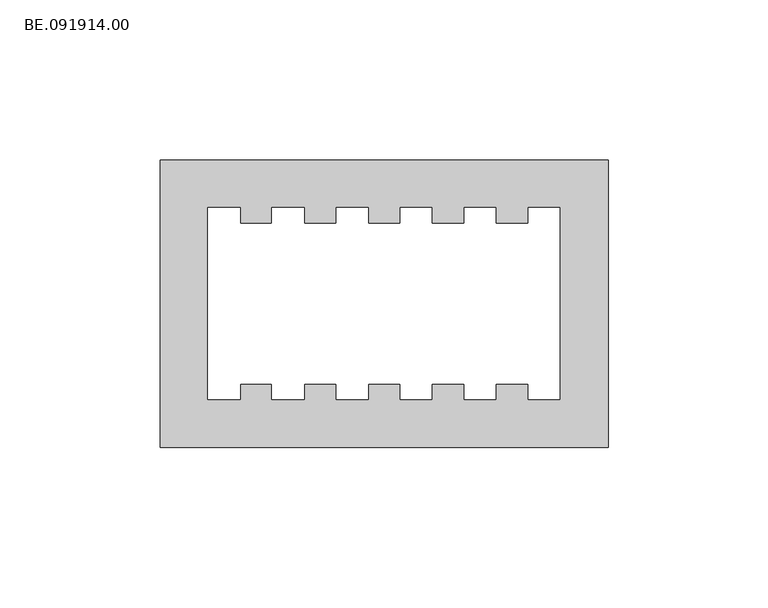
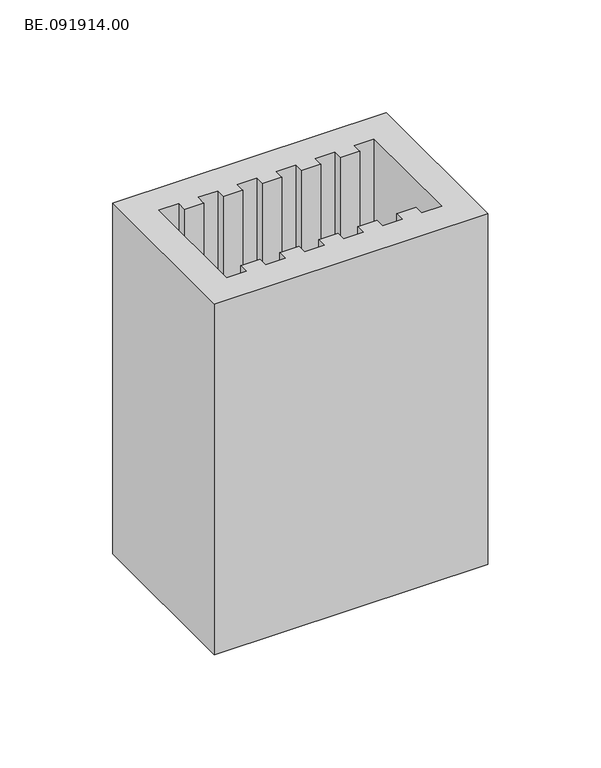
"""IFC4 building model written with IfcOpenShell, lengths in millimetres: proxy geometry, BE.091914.00."""

from ifc_helpers import new_model, si_unit, origin, origin_with_axes, place, context, project, spatial, polyline, outline, extrude, source, transform, mapped, element, save


def be_091914_00_8e662de7(model_context):
    return source(origin(), model_context, "Body", "SweptSolid", [
        extrude(outline(polyline([(145.0, 45.0), (145.0, -45.0), (5.0, -45.0), (5.0, 45.0), (145.0, 45.0)]), holes=[polyline([(120.0069336, 25.003125), (109.9982422, 25.003125), (109.9982422, 30.0074707), (100.0081543, 30.0074707), (100.0081543, 25.003125), (89.9994629, 25.003125), (89.9994629, 30.0074707), (80.009375, 30.0074707), (80.009375, 25.003125), (70.0006836, 25.003125), (70.0006836, 30.0074707), (60.0105957, 30.0074707), (60.0105957, 25.003125), (50.0019043, 25.003125), (50.0019043, 30.0074707), (39.9932129, 30.0074707), (39.9932129, 25.003125), (30.003125, 25.003125), (30.003125, 30.0074707), (19.9944336, 30.0074707), (19.9944336, -29.9888672), (30.003125, -29.9888672), (30.003125, -25.003125), (39.9932129, -25.003125), (39.9932129, -29.9888672), (50.0019043, -29.9888672), (50.0019043, -25.003125), (60.0105957, -25.003125), (60.0105957, -29.9888672), (70.0006836, -29.9888672), (70.0006836, -25.003125), (80.009375, -25.003125), (80.009375, -29.9888672), (89.9994629, -29.9888672), (89.9994629, -25.003125), (100.0081543, -25.003125), (100.0081543, -29.9888672), (109.9982422, -29.9888672), (109.9982422, -25.003125), (120.0069336, -25.003125), (120.0069336, -29.9888672), (129.9970215, -29.9888672), (129.9970215, 30.0074707), (120.0069336, 30.0074707), (120.0069336, 25.003125)])]), origin_with_axes(), (0.0, 0.0, 1.0), 190.0),
    ])


if __name__ == "__main__":
    model = new_model("IFC4")
    model_context = context("Model", 3, world=origin())
    ifc_project = project(units=[si_unit("LENGTHUNIT", "METRE", prefix="MILLI")], contexts=[model_context])
    site = spatial("IfcSite", under=ifc_project)
    building = spatial("IfcBuilding", under=site)
    placement = place(None, origin())
    be_091914_00_shape = be_091914_00_8e662de7(model_context)
    element("IfcBuildingElementProxy", 1, Name="BE.091914.00", ObjectType="BE.091914.00", at=placement, inside=building, context=model_context, shape_type="MappedRepresentation", body=[
        mapped(be_091914_00_shape, transform((0.0, 0.0, 0.0), x_axis=(1.0, 0.0, 0.0), y_axis=(0.0, 1.0, 0.0), z_axis=(0.0, 0.0, 1.0))),
    ])
    save(model, "model.ifc")
